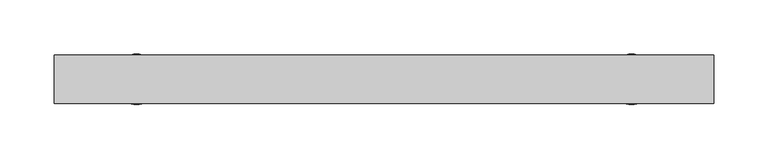
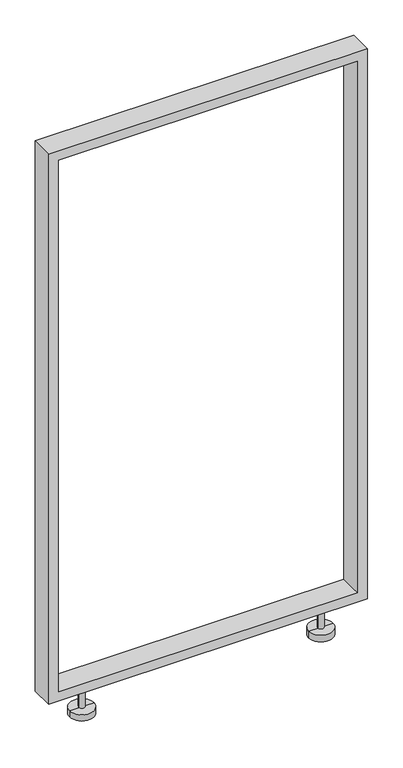
"""IFC4 building model written with IfcOpenShell, lengths in millimetres: furniture geometry."""

from ifc_helpers import new_model, si_unit, frame, origin, place, context, project, spatial, circle_curve, faceted_brep, source, transform, mapped, element, save
from ifc_brep_helpers import plane_surface, cylinder_surface, advanced_brep


def furniture_7996567a(model_context):
    return source(origin(), model_context, "Body", "SolidModel", [
        advanced_brep(
        [(205.13294, 0.0, 12.7), (252.06706, 0.0, 12.7), (252.06706, 0.0, 0.0), (205.13294, 0.0, 0.0), (222.8596, 0.0, 12.7), (234.3404, 0.0, 12.7), (222.8596, 0.0, 57.15), (234.3404, 0.0, 57.15), (228.6, 0.0, 57.15), (228.6, 0.0, 0.0)],
        [
            (0, 1, circle_curve(frame((228.6, 0.0, 12.7), z_axis=(0.0, 0.0, -1.0), x_axis=(1.0, 0.0, 0.0)), 23.46706)),
            (1, 2),
            (2, 3, circle_curve(frame((228.6, 0.0, 0.0), z_axis=(0.0, 0.0, 1.0), x_axis=(1.0, 0.0, 0.0)), 23.46706)),
            (3, 0),
            (1, 0, circle_curve(frame((228.6, 0.0, 12.7), z_axis=(0.0, 0.0, -1.0), x_axis=(1.0, 0.0, 0.0)), 23.46706)),
            (3, 2, circle_curve(frame((228.6, 0.0, 0.0), z_axis=(0.0, 0.0, 1.0), x_axis=(1.0, 0.0, 0.0)), 23.46706)),
            (4, 5, circle_curve(frame((228.6, 0.0, 12.7), z_axis=(0.0, 0.0, -1.0), x_axis=(1.0, 0.0, 0.0)), 5.7404)),
            (5, 1),
            (0, 4),
            (5, 4, circle_curve(frame((228.6, 0.0, 12.7), z_axis=(0.0, 0.0, -1.0), x_axis=(1.0, 0.0, 0.0)), 5.7404)),
            (6, 7, circle_curve(frame((228.6, 0.0, 57.15), z_axis=(0.0, 0.0, -1.0), x_axis=(1.0, 0.0, 0.0)), 5.7404)),
            (7, 5),
            (4, 6),
            (7, 6, circle_curve(frame((228.6, 0.0, 57.15), z_axis=(0.0, 0.0, -1.0), x_axis=(1.0, 0.0, 0.0)), 5.7404)),
            (8, 7),
            (6, 8),
            (2, 9),
            (9, 3),
        ],
        [
            cylinder_surface(frame((228.6, 0.0, 0.0), z_axis=(0.0, 0.0, 1.0), x_axis=(1.0, 0.0, 0.0)), 23.46706),
            plane_surface(frame((228.6, 0.0, 12.7), z_axis=(0.0, 0.0, 1.0), x_axis=(1.0, 0.0, 0.0))),
            cylinder_surface(frame((228.6, 0.0, 0.0), z_axis=(0.0, 0.0, 1.0), x_axis=(1.0, 0.0, 0.0)), 5.7404),
            plane_surface(frame((228.6, 0.0, 57.15), z_axis=(0.0, 0.0, 1.0), x_axis=(1.0, 0.0, 0.0))),
            plane_surface(frame((228.6, 0.0, 0.0), z_axis=(0.0, 0.0, -1.0), x_axis=(1.0, 0.0, 0.0))),
        ],
        [
            (0, [[1, 2, 3, 4]]),
            (0, [[5, -4, 6, -2]]),
            (1, [[7, 8, -1, 9]]),
            (1, [[10, -9, -5, -8]]),
            (2, [[11, 12, -7, 13]]),
            (2, [[14, -13, -10, -12]]),
            (3, [[15, -11, 16]]),
            (3, [[-16, -14, -15]]),
            (4, [[-3, 17, 18]]),
            (4, [[-6, -18, -17]]),
        ],
    ),
        advanced_brep(
        [(-252.06706, 0.0, 12.7), (-205.13294, 0.0, 12.7), (-205.13294, 0.0, 0.0), (-252.06706, 0.0, 0.0), (-234.3404, 0.0, 12.7), (-222.8596, 0.0, 12.7), (-234.3404, 0.0, 57.15), (-222.8596, 0.0, 57.15), (-228.6, 0.0, 57.15), (-228.6, 0.0, 0.0)],
        [
            (0, 1, circle_curve(frame((-228.6, 0.0, 12.7), z_axis=(0.0, 0.0, -1.0), x_axis=(1.0, 0.0, 0.0)), 23.46706)),
            (1, 2),
            (2, 3, circle_curve(frame((-228.6, 0.0, 0.0), z_axis=(0.0, 0.0, 1.0), x_axis=(1.0, 0.0, 0.0)), 23.46706)),
            (3, 0),
            (1, 0, circle_curve(frame((-228.6, 0.0, 12.7), z_axis=(0.0, 0.0, -1.0), x_axis=(1.0, 0.0, 0.0)), 23.46706)),
            (3, 2, circle_curve(frame((-228.6, 0.0, 0.0), z_axis=(0.0, 0.0, 1.0), x_axis=(1.0, 0.0, 0.0)), 23.46706)),
            (4, 5, circle_curve(frame((-228.6, 0.0, 12.7), z_axis=(0.0, 0.0, -1.0), x_axis=(1.0, 0.0, 0.0)), 5.7404)),
            (5, 1),
            (0, 4),
            (5, 4, circle_curve(frame((-228.6, 0.0, 12.7), z_axis=(0.0, 0.0, -1.0), x_axis=(1.0, 0.0, 0.0)), 5.7404)),
            (6, 7, circle_curve(frame((-228.6, 0.0, 57.15), z_axis=(0.0, 0.0, -1.0), x_axis=(1.0, 0.0, 0.0)), 5.7404)),
            (7, 5),
            (4, 6),
            (7, 6, circle_curve(frame((-228.6, 0.0, 57.15), z_axis=(0.0, 0.0, -1.0), x_axis=(1.0, 0.0, 0.0)), 5.7404)),
            (8, 7),
            (6, 8),
            (2, 9),
            (9, 3),
        ],
        [
            cylinder_surface(frame((-228.6, 0.0, 0.0), z_axis=(0.0, 0.0, 1.0), x_axis=(1.0, 0.0, 0.0)), 23.46706),
            plane_surface(frame((-228.6, 0.0, 12.7), z_axis=(0.0, 0.0, 1.0), x_axis=(1.0, 0.0, 0.0))),
            cylinder_surface(frame((-228.6, 0.0, 0.0), z_axis=(0.0, 0.0, 1.0), x_axis=(1.0, 0.0, 0.0)), 5.7404),
            plane_surface(frame((-228.6, 0.0, 57.15), z_axis=(0.0, 0.0, 1.0), x_axis=(1.0, 0.0, 0.0))),
            plane_surface(frame((-228.6, 0.0, 0.0), z_axis=(0.0, 0.0, -1.0), x_axis=(1.0, 0.0, 0.0))),
        ],
        [
            (0, [[1, 2, 3, 4]]),
            (0, [[5, -4, 6, -2]]),
            (1, [[7, 8, -1, 9]]),
            (1, [[10, -9, -5, -8]]),
            (2, [[11, 12, -7, 13]]),
            (2, [[14, -13, -10, -12]]),
            (3, [[15, -11, 16]]),
            (3, [[-16, -14, -15]]),
            (4, [[-3, 17, 18]]),
            (4, [[-6, -18, -17]]),
        ],
    ),
        faceted_brep([(-304.8, -22.225, 1168.3999909), (-304.8, -22.225, 57.15), (304.8, -22.225, 57.15), (304.8, -22.225, 1168.3999909), (285.7500091, -22.225, 1149.35), (285.7500091, -22.225, 76.2), (-285.7500091, -22.225, 76.2), (-285.7500091, -22.225, 1149.35), (-304.8, 22.225, 1168.4), (304.8, 22.225, 1168.4), (304.8, 22.225, 57.15), (-304.8, 22.225, 57.15), (285.7500091, 22.225, 1149.35), (-285.7500091, 22.225, 1149.35), (-285.7500091, 22.225, 76.2), (285.7500091, 22.225, 76.2)], [[[0, 1, 2, 3], [4, 5, 6, 7]], [[8, 9, 10, 11], [12, 13, 14, 15]], [[1, 0, 8, 11]], [[2, 1, 11, 10]], [[3, 2, 10, 9]], [[0, 3, 9, 8]], [[5, 4, 12, 15]], [[6, 5, 15, 14]], [[7, 6, 14, 13]], [[4, 7, 13, 12]]]),
    ])


if __name__ == "__main__":
    model = new_model("IFC4")
    model_context = context("Model", 3, world=origin())
    ifc_project = project(units=[si_unit("LENGTHUNIT", "METRE", prefix="MILLI")], contexts=[model_context])
    site = spatial("IfcSite", under=ifc_project)
    building = spatial("IfcBuilding", under=site)
    placement = place(None, origin())
    furniture_shape = furniture_7996567a(model_context)
    element("IfcFurniture", 1, at=placement, inside=building, context=model_context, shape_type="MappedRepresentation", body=[
        mapped(furniture_shape, transform((0.0, 0.0, 0.0), x_axis=(1.0, 0.0, 0.0), y_axis=(0.0, 1.0, 0.0), z_axis=(0.0, 0.0, 1.0))),
    ])
    save(model, "model.ifc")
